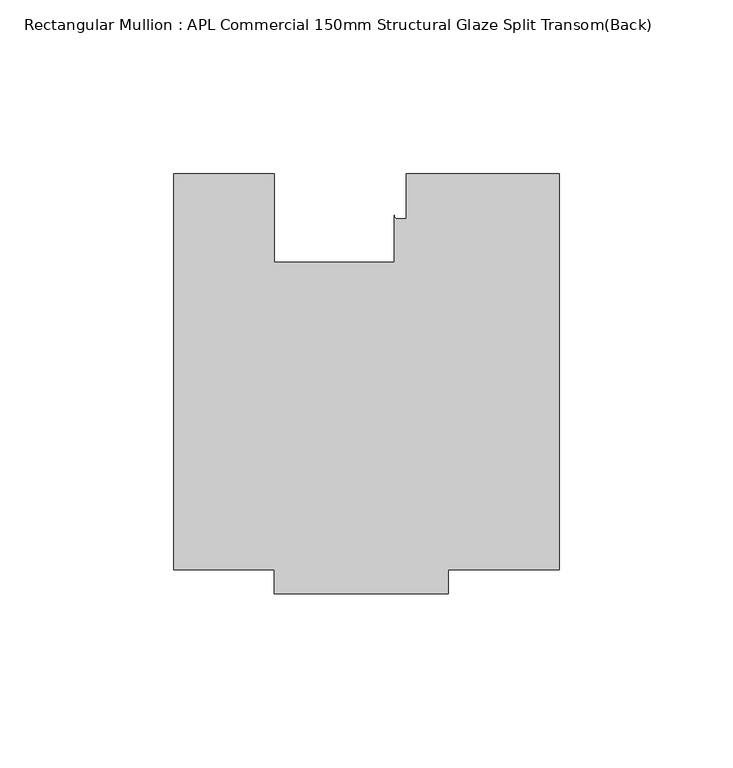
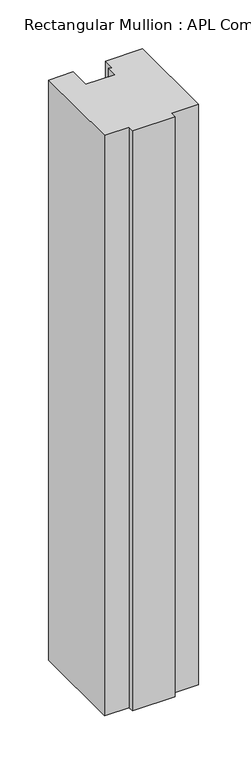
"""IFC4 building model written with IfcOpenShell, lengths in millimetres: member geometry, Rectangular Mullion : APL Commercial 150mm Structural Glaze Split Transom(Back)."""

from ifc_helpers import new_model, si_unit, point, frame, frame_2d, origin, place, context, project, spatial, polyline, circle_curve, trimmed, segment, composite_curve, outline, extrude, source, transform, mapped, element, save


def rectangular_mullion_apl_commercial_150mm_structural_glaze_1fd0c3e3(model_context):
    return source(origin(), model_context, "Body", "SweptSolid", [
        extrude(outline(composite_curve([segment(polyline([(54.0000029, -15.0004617), (54.0000029, -129.0003326), (22.0028846, -129.0003326), (22.0028846, -136.0003326), (-27.9971154, -136.0003326), (-27.9971154, -129.0002765), (-57.0000004, -129.0002765), (-57.0000004, -15.0001793), (-28.0000482, -15.0001793), (-28.0000482, -40.499932), (6.5000029, -40.499932), (6.5000029, -27.0002131)]), True, "CONTINUOUS"), segment(trimmed(circle_curve(frame_2d((7.5000029, -27.0002131)), 1.0), [point((6.5000029, -27.0002131))], [point((7.5000029, -28.0002131))], True, "CARTESIAN"), True, "CONTINUOUS"), segment(polyline([(7.5000029, -28.0002131), (10.0000029, -28.0002131), (10.0000029, -15.0004617), (54.0000029, -15.0004617)]), True, "CONTINUOUS")], self_intersect=False)), frame((0.0, 0.0, -724.000019), z_axis=(0.0, 0.0, 1.0), x_axis=(1.0, 0.0, 0.0)), (0.0, 0.0, 1.0), 724.000019),
    ])


if __name__ == "__main__":
    model = new_model("IFC4")
    model_context = context("Model", 3, world=origin())
    ifc_project = project(units=[si_unit("LENGTHUNIT", "METRE", prefix="MILLI")], contexts=[model_context])
    site = spatial("IfcSite", under=ifc_project)
    building = spatial("IfcBuilding", under=site)
    placement = place(None, origin())
    rectangular_mullion_apl_commercial_150mm_structural_glaze_shape = rectangular_mullion_apl_commercial_150mm_structural_glaze_1fd0c3e3(model_context)
    element("IfcMember", 1, ObjectType="Rectangular Mullion : APL Commercial 150mm Structural Glaze Split Transom(Back)", at=placement, inside=building, context=model_context, shape_type="MappedRepresentation", body=[
        mapped(rectangular_mullion_apl_commercial_150mm_structural_glaze_shape, transform((0.0, 0.0, 0.0), x_axis=(1.0, 0.0, 0.0), y_axis=(0.0, 1.0, 0.0), z_axis=(0.0, 0.0, 1.0))),
    ])
    save(model, "model.ifc")
